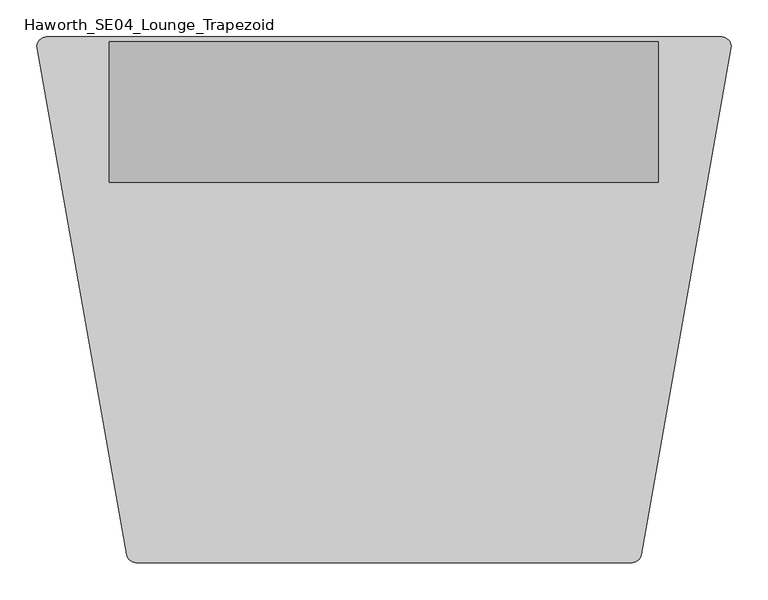
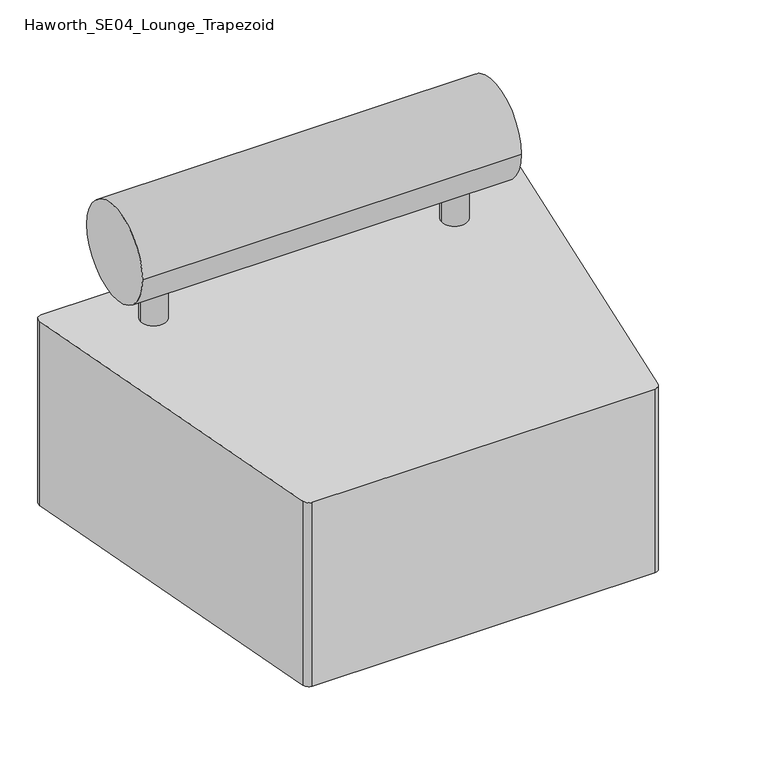
"""IFC4 building model written with IfcOpenShell, lengths in millimetres: furniture geometry, Haworth_SE04_Lounge_Trapezoid."""

from ifc_helpers import new_model, si_unit, point, frame, frame_2d, origin, origin_with_axes, place, context, project, spatial, polyline, circle_curve, trimmed, segment, composite_curve, outline, extrude, source, transform, mapped, element, save


def haworth_se04_lounge_trapezoid_92765257(model_context):
    return source(origin(), model_context, "Body", "SweptSolid", [
        extrude(outline(composite_curve([segment(trimmed(circle_curve(frame_2d((269.747985, 254.0)), 25.4), [point((295.147985, 254.0))], [point((244.347985, 254.0))], False, "CARTESIAN"), True, "CONTINUOUS"), segment(trimmed(circle_curve(frame_2d((269.747985, 254.0)), 25.4), [point((244.347985, 254.0))], [point((295.147985, 254.0))], False, "CARTESIAN"), True, "CONTINUOUS")], self_intersect=False)), frame((0.0, 0.0, 431.8), z_axis=(0.0, 0.0, 1.0), x_axis=(1.0, 0.0, 0.0)), (0.0, 0.0, 1.0), 79.375),
        extrude(outline(composite_curve([segment(trimmed(circle_curve(frame_2d((-320.802015, 254.0)), 25.4), [point((-346.202015, 254.0))], [point((-295.402015, 254.0))], False, "CARTESIAN"), True, "CONTINUOUS"), segment(trimmed(circle_curve(frame_2d((-320.802015, 254.0)), 25.4), [point((-295.402015, 254.0))], [point((-346.202015, 254.0))], False, "CARTESIAN"), True, "CONTINUOUS")], self_intersect=False)), frame((0.0, 0.0, 431.8), z_axis=(0.0, 0.0, 1.0), x_axis=(1.0, 0.0, 0.0)), (0.0, 0.0, 1.0), 79.375),
        extrude(outline(composite_curve([segment(trimmed(circle_curve(frame_2d((-397.002015, 254.0)), 34.925), [point((-431.927015, 254.0))], [point((-362.077015, 254.0))], False, "CARTESIAN"), True, "CONTINUOUS"), segment(trimmed(circle_curve(frame_2d((-397.002015, 254.0)), 34.925), [point((-362.077015, 254.0))], [point((-431.927015, 254.0))], False, "CARTESIAN"), True, "CONTINUOUS")], self_intersect=False)), origin_with_axes(), (0.0, 0.0, 1.0), 50.8),
        extrude(outline(composite_curve([segment(trimmed(circle_curve(frame_2d((345.947985, 254.0)), 38.1), [point((307.847985, 254.0))], [point((384.047985, 254.0))], False, "CARTESIAN"), True, "CONTINUOUS"), segment(trimmed(circle_curve(frame_2d((345.947985, 254.0)), 38.1), [point((384.047985, 254.0))], [point((307.847985, 254.0))], False, "CARTESIAN"), True, "CONTINUOUS")], self_intersect=False)), origin_with_axes(), (0.0, 0.0, 1.0), 50.8),
        extrude(outline(composite_curve([segment(trimmed(circle_curve(frame_2d((218.947985, -254.0)), 38.1), [point((180.847985, -254.0))], [point((257.047985, -254.0))], False, "CARTESIAN"), True, "CONTINUOUS"), segment(trimmed(circle_curve(frame_2d((218.947985, -254.0)), 38.1), [point((257.047985, -254.0))], [point((180.847985, -254.0))], False, "CARTESIAN"), True, "CONTINUOUS")], self_intersect=False)), origin_with_axes(), (0.0, 0.0, 1.0), 50.8),
        extrude(outline(composite_curve([segment(trimmed(circle_curve(frame_2d((-270.002015, -254.0)), 38.1), [point((-308.102015, -254.0))], [point((-231.902015, -254.0))], False, "CARTESIAN"), True, "CONTINUOUS"), segment(trimmed(circle_curve(frame_2d((-270.002015, -254.0)), 38.1), [point((-231.902015, -254.0))], [point((-308.102015, -254.0))], False, "CARTESIAN"), True, "CONTINUOUS")], self_intersect=False)), origin_with_axes(), (0.0, 0.0, 1.0), 50.8),
        extrude(outline(composite_curve([segment(trimmed(circle_curve(frame_2d((431.4956112, 342.9)), 12.7), [point((431.4956112, 355.6))], [point((443.9149534, 340.2448277))], False, "CARTESIAN"), True, "CONTINUOUS"), segment(polyline([(443.9149534, 340.2448277), (322.7823247, -345.1103934)]), True, "CONTINUOUS"), segment(trimmed(circle_curve(frame_2d((310.2761598, -342.9)), 12.7), [point((322.7823247, -345.1103934))], [point((310.2761598, -355.6))], False, "CARTESIAN"), True, "CONTINUOUS"), segment(polyline([(310.2761598, -355.6), (-361.0101651, -355.6)]), True, "CONTINUOUS"), segment(trimmed(circle_curve(frame_2d((-361.0101651, -342.9)), 12.7), [point((-361.0101651, -355.6))], [point((-373.5162788, -345.1106836))], False, "CARTESIAN"), True, "CONTINUOUS"), segment(polyline([(-373.5162788, -345.1106836), (-494.7439302, 340.6893164)]), True, "CONTINUOUS"), segment(trimmed(circle_curve(frame_2d((-482.2378166, 342.9)), 12.7), [point((-494.7439302, 340.6893164))], [point((-482.2378166, 355.6))], False, "CARTESIAN"), True, "CONTINUOUS"), segment(polyline([(-482.2378166, 355.6), (431.4956112, 355.6)]), True, "CONTINUOUS")], self_intersect=False)), frame((0.0, 0.0, 50.8), z_axis=(0.0, 0.0, 1.0), x_axis=(1.0, 0.0, 0.0)), (0.0, 0.0, 1.0), 381.0),
        extrude(outline(composite_curve([segment(trimmed(circle_curve(frame_2d((254.0, 594.0414293)), 94.8175255), [point((159.1824745, 594.0414293))], [point((348.8175255, 594.0414293))], False, "CARTESIAN"), True, "CONTINUOUS"), segment(trimmed(circle_curve(frame_2d((254.0, 594.0414293)), 94.8175255), [point((348.8175255, 594.0414293))], [point((159.1824745, 594.0414293))], False, "CARTESIAN"), True, "CONTINUOUS")], self_intersect=False)), frame((-397.002015, 0.0, 0.0), z_axis=(1.0, 0.0, 0.0), x_axis=(0.0, 1.0, 0.0)), (0.0, 0.0, 1.0), 742.95),
    ])


if __name__ == "__main__":
    model = new_model("IFC4")
    model_context = context("Model", 3, world=origin())
    ifc_project = project(units=[si_unit("LENGTHUNIT", "METRE", prefix="MILLI")], contexts=[model_context])
    site = spatial("IfcSite", under=ifc_project)
    building = spatial("IfcBuilding", under=site)
    placement = place(None, origin())
    haworth_se04_lounge_trapezoid_shape = haworth_se04_lounge_trapezoid_92765257(model_context)
    element("IfcFurniture", 1, ObjectType="Haworth_SE04_Lounge_Trapezoid", at=placement, inside=building, context=model_context, shape_type="MappedRepresentation", body=[
        mapped(haworth_se04_lounge_trapezoid_shape, transform((0.0, 0.0, 0.0), x_axis=(1.0, 0.0, 0.0), y_axis=(0.0, 1.0, 0.0), z_axis=(0.0, 0.0, 1.0))),
    ])
    save(model, "model.ifc")
